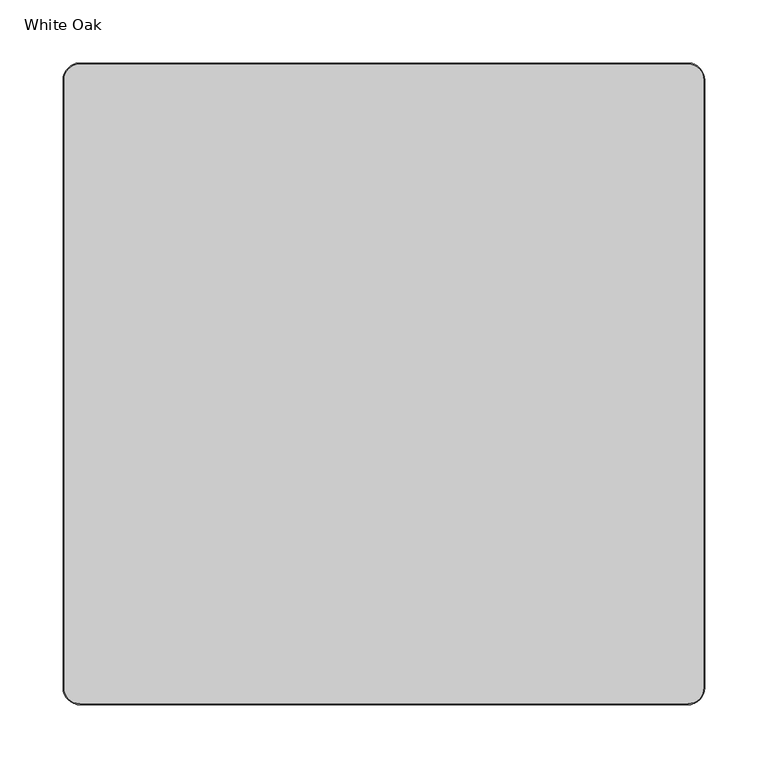
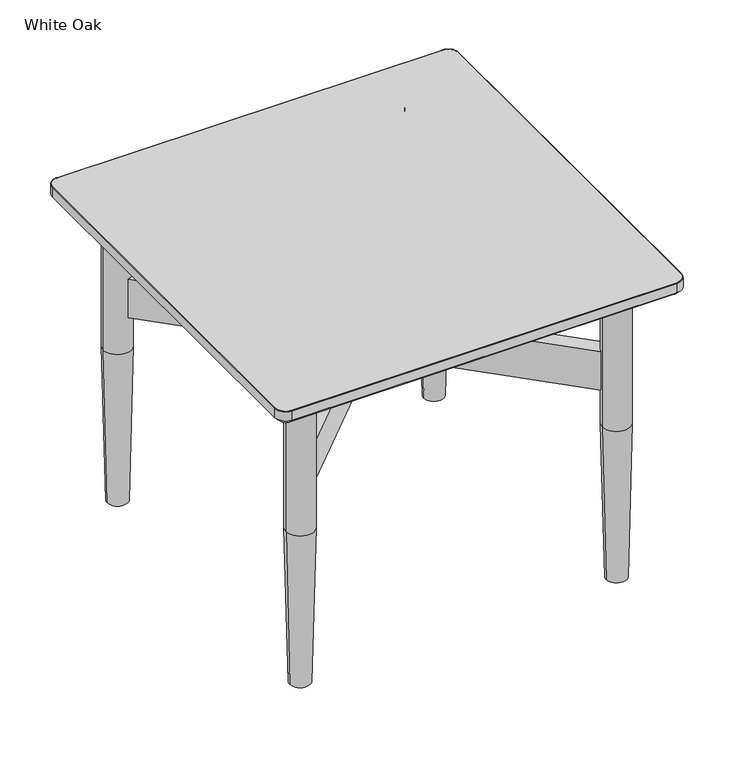
"""IFC4 building model written with IfcOpenShell, lengths in millimetres: furniture geometry, White Oak."""

from ifc_helpers import new_model, si_unit, point, frame, origin, place, context, project, spatial, polyline, circle_curve, ellipse_curve, trimmed, source, transform, mapped, element, save
from ifc_brep_helpers import plane_surface, cylinder_surface, revolved_surface, advanced_brep


def white_oak_4e3813bd(model_context):
    return source(origin(), model_context, "Body", "AdvancedBrep", [
        advanced_brep(
        [(-253.2012898, -240.6396, 406.4), (-240.6396, -253.2012898, 406.4), (240.6396, -253.2012898, 406.4), (253.2012898, -240.6396, 406.4), (253.2012898, 240.6396, 406.4), (240.6396, 253.2012898, 406.4), (-240.6407854, 253.2012898, 406.4), (-253.2012898, 240.6407854, 406.4), (172.1507502, 194.5163201, 387.35), (172.1507502, 200.8305619, 387.35), (-194.4521428, 172.2132881, 387.35), (-200.7663846, 172.2132881, 387.35), (-172.1491108, -194.4732961, 387.35), (-172.1491108, -200.7875379, 387.35), (194.4521428, -172.1702641, 387.35), (200.7663846, -172.1702641, 387.35), (-240.6396, -247.65, 387.35), (-247.65, -240.6396, 387.35), (-247.65, 240.6407854, 387.35), (-240.6407854, 247.65, 387.35), (240.6396, 247.65, 387.35), (247.65, 240.6396, 387.35), (247.65, -240.6396, 387.35), (240.6396, -247.65, 387.35), (192.1473987, 214.281061, 387.35), (169.1735874, 206.7232295, 387.35), (169.1735891, 188.6236519, 387.35), (192.1474019, 181.0658248, 387.35), (-181.0016475, 192.2099398, 387.35), (-214.2168838, 192.2099366, 387.35), (-206.6590523, 169.2361253, 387.35), (-188.5594746, 169.236127, 387.35), (-192.1457625, -181.0228008, 387.35), (-192.1457593, -214.238037, 387.35), (-169.171948, -206.6802056, 387.35), (-169.1719497, -188.5806279, 387.35), (181.0016475, -192.1669158, 387.35), (214.2168838, -192.1669126, 387.35), (206.6590523, -169.1931013, 387.35), (188.5594746, -169.193103, 387.35), (192.1474019, 181.0658248, 384.31216), (169.1735891, 188.6236519, 384.31216), (169.1735874, 206.7232295, 384.31216), (192.1473987, 214.281061, 384.31216), (172.1507502, 194.5163201, 384.31216), (172.1507502, 200.8305619, 384.31216), (-181.0016475, 192.2099398, 384.31216), (-188.5594746, 169.236127, 384.31216), (-206.6590523, 169.2361253, 384.31216), (-214.2168838, 192.2099366, 384.31216), (-194.4521428, 172.2132881, 384.31216), (-200.7663846, 172.2132881, 384.31216), (-192.1457625, -181.0228008, 384.31216), (-169.1719497, -188.5806279, 384.31216), (-169.171948, -206.6802056, 384.31216), (-192.1457593, -214.238037, 384.31216), (-172.1491108, -194.4732961, 384.31216), (-172.1491108, -200.7875379, 384.31216), (181.0016475, -192.1669158, 384.31216), (188.5594746, -169.193103, 384.31216), (206.6590523, -169.1931013, 384.31216), (214.2168838, -192.1669126, 384.31216), (194.4521428, -172.1702641, 384.31216), (200.7663846, -172.1702641, 384.31216), (-240.6396, -254.0, 393.7), (-254.0, -240.6396, 393.7), (-240.6396, -254.0, 405.6012898), (-254.0, -240.6396, 405.6012898), (240.6396, -254.0, 393.7), (240.6396, -254.0, 405.6012898), (254.0, -240.6396, 393.7), (254.0, -240.6396, 405.6012898), (254.0, 240.6396, 393.7), (254.0, 240.6396, 405.6012898), (240.6396, 254.0, 393.7), (240.6396, 254.0, 405.6012898), (-240.6407854, 254.0, 393.7), (-240.6407854, 254.0, 405.6012898), (-254.0, 240.6407854, 393.7), (-254.0, 240.6407854, 405.6012898)],
        [
            (0, 1, circle_curve(frame((-240.6396, -240.6396, 406.4), z_axis=(0.0, 0.0, 1.0), x_axis=(-1.0, 0.0, 0.0)), 12.5616898)),
            (1, 2),
            (2, 3, circle_curve(frame((240.6396, -240.6396, 406.4), z_axis=(0.0, 0.0, 1.0), x_axis=(0.0, -1.0, 0.0)), 12.5616898)),
            (3, 4),
            (4, 5, circle_curve(frame((240.6396, 240.6396, 406.4), z_axis=(0.0, 0.0, 1.0), x_axis=(1.0, 0.0, 0.0)), 12.5616898)),
            (5, 6),
            (6, 7, circle_curve(frame((-240.6407854, 240.6407854, 406.4), z_axis=(0.0, 0.0, 1.0), x_axis=(0.0, 1.0, 0.0)), 12.5605044)),
            (7, 0),
            (8, 9, circle_curve(frame((172.1507502, 197.673441, 387.35), z_axis=(0.0, 0.0, -1.0), x_axis=(0.0, 1.0, 0.0)), 3.1571209)),
            (9, 8, circle_curve(frame((172.1507502, 197.673441, 387.35), z_axis=(0.0, 0.0, -1.0), x_axis=(0.0, 1.0, 0.0)), 3.1571209)),
            (10, 11, circle_curve(frame((-197.6092637, 172.2132881, 387.35), z_axis=(0.0, 0.0, -1.0), x_axis=(-1.0, 0.0, 0.0)), 3.1571209)),
            (11, 10, circle_curve(frame((-197.6092637, 172.2132881, 387.35), z_axis=(0.0, 0.0, -1.0), x_axis=(-1.0, 0.0, 0.0)), 3.1571209)),
            (12, 13, circle_curve(frame((-172.1491108, -197.630417, 387.35), z_axis=(0.0, 0.0, -1.0), x_axis=(0.0, -1.0, 0.0)), 3.1571209)),
            (13, 12, circle_curve(frame((-172.1491108, -197.630417, 387.35), z_axis=(0.0, 0.0, -1.0), x_axis=(0.0, -1.0, 0.0)), 3.1571209)),
            (14, 15, circle_curve(frame((197.6092637, -172.1702641, 387.35), z_axis=(0.0, 0.0, -1.0), x_axis=(1.0, 0.0, 0.0)), 3.1571209)),
            (15, 14, circle_curve(frame((197.6092637, -172.1702641, 387.35), z_axis=(0.0, 0.0, -1.0), x_axis=(1.0, 0.0, 0.0)), 3.1571209)),
            (16, 17, circle_curve(frame((-240.6396, -240.6396, 387.35), z_axis=(0.0, 0.0, -1.0), x_axis=(-1.0, 0.0, 0.0)), 7.0104)),
            (17, 18),
            (18, 19, circle_curve(frame((-240.6407854, 240.6407854, 387.35), z_axis=(0.0, 0.0, -1.0), x_axis=(0.0, 1.0, 0.0)), 7.0092146)),
            (19, 20),
            (20, 21, circle_curve(frame((240.6396, 240.6396, 387.35), z_axis=(0.0, 0.0, -1.0), x_axis=(1.0, 0.0, 0.0)), 7.0104)),
            (21, 22),
            (22, 23, circle_curve(frame((240.6396, -240.6396, 387.35), z_axis=(0.0, 0.0, -1.0), x_axis=(0.0, -1.0, 0.0)), 7.0104)),
            (23, 16),
            (24, 25),
            (25, 26, circle_curve(frame((172.1507502, 197.673441, 387.35), z_axis=(0.0, 0.0, 1.0), x_axis=(0.0, 1.0, 0.0)), 9.5269182)),
            (26, 27),
            (27, 24, circle_curve(frame((197.6109055, 197.6734434, 387.35), z_axis=(0.0, 0.0, 1.0), x_axis=(1.0, 0.0, 0.0)), 17.4832168)),
            (28, 29, circle_curve(frame((-197.6092662, 197.6734434, 387.35), z_axis=(0.0, 0.0, 1.0), x_axis=(0.0, 1.0, 0.0)), 17.4832168)),
            (29, 30),
            (30, 31, circle_curve(frame((-197.6092637, 172.2132881, 387.35), z_axis=(0.0, 0.0, 1.0), x_axis=(-1.0, 0.0, 0.0)), 9.5269182)),
            (31, 28),
            (32, 33, circle_curve(frame((-197.6092662, -197.6304194, 387.35), z_axis=(0.0, 0.0, 1.0), x_axis=(-1.0, 0.0, 0.0)), 17.4832168)),
            (33, 34),
            (34, 35, circle_curve(frame((-172.1491108, -197.630417, 387.35), z_axis=(0.0, 0.0, 1.0), x_axis=(0.0, -1.0, 0.0)), 9.5269182)),
            (35, 32),
            (36, 37, circle_curve(frame((197.6092662, -197.6304194, 387.35), z_axis=(0.0, 0.0, 1.0), x_axis=(0.0, -1.0, 0.0)), 17.4832168)),
            (37, 38),
            (38, 39, circle_curve(frame((197.6092637, -172.1702641, 387.35), z_axis=(0.0, 0.0, 1.0), x_axis=(1.0, 0.0, 0.0)), 9.5269182)),
            (39, 36),
            (40, 41),
            (41, 42, circle_curve(frame((172.1507502, 197.673441, 384.31216), z_axis=(0.0, 0.0, -1.0), x_axis=(0.0, 1.0, 0.0)), 9.5269182)),
            (42, 43),
            (43, 40, circle_curve(frame((197.6109055, 197.6734434, 384.31216), z_axis=(0.0, 0.0, -1.0), x_axis=(1.0, 0.0, 0.0)), 17.4832168)),
            (44, 45, circle_curve(frame((172.1507502, 197.673441, 384.31216), z_axis=(0.0, 0.0, 1.0), x_axis=(0.0, 1.0, 0.0)), 3.1571209)),
            (45, 44, circle_curve(frame((172.1507502, 197.673441, 384.31216), z_axis=(0.0, 0.0, 1.0), x_axis=(0.0, 1.0, 0.0)), 3.1571209)),
            (46, 47),
            (47, 48, circle_curve(frame((-197.6092637, 172.2132881, 384.31216), z_axis=(0.0, 0.0, -1.0), x_axis=(-1.0, 0.0, 0.0)), 9.5269182)),
            (48, 49),
            (49, 46, circle_curve(frame((-197.6092662, 197.6734434, 384.31216), z_axis=(0.0, 0.0, -1.0), x_axis=(0.0, 1.0, 0.0)), 17.4832168)),
            (50, 51, circle_curve(frame((-197.6092637, 172.2132881, 384.31216), z_axis=(0.0, 0.0, 1.0), x_axis=(-1.0, 0.0, 0.0)), 3.1571209)),
            (51, 50, circle_curve(frame((-197.6092637, 172.2132881, 384.31216), z_axis=(0.0, 0.0, 1.0), x_axis=(-1.0, 0.0, 0.0)), 3.1571209)),
            (52, 53),
            (53, 54, circle_curve(frame((-172.1491108, -197.630417, 384.31216), z_axis=(0.0, 0.0, -1.0), x_axis=(0.0, -1.0, 0.0)), 9.5269182)),
            (54, 55),
            (55, 52, circle_curve(frame((-197.6092662, -197.6304194, 384.31216), z_axis=(0.0, 0.0, -1.0), x_axis=(-1.0, 0.0, 0.0)), 17.4832168)),
            (56, 57, circle_curve(frame((-172.1491108, -197.630417, 384.31216), z_axis=(0.0, 0.0, 1.0), x_axis=(0.0, -1.0, 0.0)), 3.1571209)),
            (57, 56, circle_curve(frame((-172.1491108, -197.630417, 384.31216), z_axis=(0.0, 0.0, 1.0), x_axis=(0.0, -1.0, 0.0)), 3.1571209)),
            (58, 59),
            (59, 60, circle_curve(frame((197.6092637, -172.1702641, 384.31216), z_axis=(0.0, 0.0, -1.0), x_axis=(1.0, 0.0, 0.0)), 9.5269182)),
            (60, 61),
            (61, 58, circle_curve(frame((197.6092662, -197.6304194, 384.31216), z_axis=(0.0, 0.0, -1.0), x_axis=(0.0, -1.0, 0.0)), 17.4832168)),
            (62, 63, circle_curve(frame((197.6092637, -172.1702641, 384.31216), z_axis=(0.0, 0.0, 1.0), x_axis=(1.0, 0.0, 0.0)), 3.1571209)),
            (63, 62, circle_curve(frame((197.6092637, -172.1702641, 384.31216), z_axis=(0.0, 0.0, 1.0), x_axis=(1.0, 0.0, 0.0)), 3.1571209)),
            (42, 25),
            (24, 43),
            (41, 26),
            (40, 27),
            (45, 9),
            (8, 44),
            (49, 29),
            (28, 46),
            (48, 30),
            (47, 31),
            (51, 11),
            (10, 50),
            (55, 33),
            (32, 52),
            (54, 34),
            (53, 35),
            (57, 13),
            (12, 56),
            (61, 37),
            (36, 58),
            (60, 38),
            (59, 39),
            (63, 15),
            (14, 62),
            (64, 65, circle_curve(frame((-240.6396, -240.6396, 393.7), z_axis=(0.0, 0.0, -1.0), x_axis=(-1.0, 0.0, 0.0)), 13.3604)),
            (65, 17),
            (16, 64),
            (64, 66),
            (66, 67, circle_curve(frame((-240.6396, -240.6396, 405.6012898), z_axis=(0.0, 0.0, -1.0), x_axis=(-1.0, 0.0, 0.0)), 13.3604)),
            (67, 65),
            (66, 1, circle_curve(frame((-240.6396, -253.2012898, 405.6012898), z_axis=(-1.0, 0.0, 0.0), x_axis=(0.0, 1.0, 0.0)), 0.7987102)),
            (0, 67, circle_curve(frame((-253.2012898, -240.6396, 405.6012898), z_axis=(0.0, -1.0, 0.0), x_axis=(1.0, 0.0, 0.0)), 0.7987102)),
            (23, 68),
            (68, 64),
            (68, 69),
            (69, 66),
            (69, 2, circle_curve(frame((240.6396, -253.2012898, 405.6012898), z_axis=(-1.0, 0.0, 0.0), x_axis=(0.0, 1.0, 0.0)), 0.7987102)),
            (22, 70),
            (70, 68, circle_curve(frame((240.6396, -240.6396, 393.7), z_axis=(0.0, 0.0, -1.0), x_axis=(0.0, -1.0, 0.0)), 13.3604)),
            (70, 71),
            (71, 69, circle_curve(frame((240.6396, -240.6396, 405.6012898), z_axis=(0.0, 0.0, -1.0), x_axis=(0.0, -1.0, 0.0)), 13.3604)),
            (71, 3, circle_curve(frame((253.2012898, -240.6396, 405.6012898), z_axis=(0.0, -1.0, 0.0), x_axis=(-1.0, 0.0, 0.0)), 0.7987102)),
            (21, 72),
            (72, 70),
            (72, 73),
            (73, 71),
            (73, 4, circle_curve(frame((253.2012898, 240.6396, 405.6012898), z_axis=(0.0, -1.0, 0.0), x_axis=(-1.0, 0.0, 0.0)), 0.7987102)),
            (20, 74),
            (74, 72, circle_curve(frame((240.6396, 240.6396, 393.7), z_axis=(0.0, 0.0, -1.0), x_axis=(1.0, 0.0, 0.0)), 13.3604)),
            (74, 75),
            (75, 73, circle_curve(frame((240.6396, 240.6396, 405.6012898), z_axis=(0.0, 0.0, -1.0), x_axis=(1.0, 0.0, 0.0)), 13.3604)),
            (75, 5, circle_curve(frame((240.6396, 253.2012898, 405.6012898), z_axis=(1.0, 0.0, 0.0), x_axis=(0.0, -1.0, 0.0)), 0.7987102)),
            (19, 76),
            (76, 74),
            (76, 77),
            (77, 75),
            (77, 6, circle_curve(frame((-240.6407854, 253.2012898, 405.6012898), z_axis=(1.0, 0.0, 0.0), x_axis=(0.0, -1.0, 0.0)), 0.7987102)),
            (18, 78),
            (78, 76, circle_curve(frame((-240.6407854, 240.6407854, 393.7), z_axis=(0.0, 0.0, -1.0), x_axis=(0.0, 1.0, 0.0)), 13.3592146)),
            (78, 79),
            (79, 77, circle_curve(frame((-240.6407854, 240.6407854, 405.6012898), z_axis=(0.0, 0.0, -1.0), x_axis=(0.0, 1.0, 0.0)), 13.3592146)),
            (79, 7, circle_curve(frame((-253.2012898, 240.6407854, 405.6012898), z_axis=(0.0, 1.0, 0.0), x_axis=(1.0, 0.0, 0.0)), 0.7987102)),
            (65, 78),
            (67, 79),
        ],
        [
            plane_surface(frame((-240.6407854, 241.3, 406.4), z_axis=(0.0, 0.0, 1.0), x_axis=(-1.0, 0.0, 0.0))),
            plane_surface(frame((-240.6407854, 241.3, 387.35), z_axis=(0.0, 0.0, -1.0), x_axis=(1.0, 0.0, 0.0))),
            plane_surface(frame((215.0941223, 197.6734434, 384.31216), z_axis=(0.0, 0.0, -1.0), x_axis=(0.0, -1.0, 0.0))),
            plane_surface(frame((192.1473987, 214.281061, 387.35), z_axis=(-0.3125000908823623, 0.9499177297000596, 0.0), x_axis=(0.0, 0.0, -1.0))),
            cylinder_surface(frame((172.1507502, 197.673441, 384.31216), z_axis=(0.0, 0.0, 1.0), x_axis=(0.0, 1.0, 0.0)), 9.5269182),
            plane_surface(frame((169.1735891, 188.6236519, 387.35), z_axis=(-0.31249990911763487, -0.9499177894962648, 0.0), x_axis=(0.0, 0.0, -1.0))),
            revolved_surface(polyline([(172.1507502, 200.8305619, 384.31216), (172.1507502, 200.8305619, 387.35)]), (172.1507502, 197.673441, 406.4), (0.0, 0.0, -1.0)),
            cylinder_surface(frame((197.6109055, 197.6734434, 384.31216), z_axis=(0.0, 0.0, 1.0), x_axis=(1.0, 0.0, 0.0)), 17.4832168),
            cylinder_surface(frame((-197.6092662, 197.6734434, 406.4), z_axis=(0.0, 0.0, 1.0), x_axis=(0.0, 1.0, 0.0)), 17.4832168),
            plane_surface(frame((-214.2168838, 192.2099366, 387.35), z_axis=(-0.94991772970006, -0.31250009088236064, 0.0), x_axis=(0.0, 0.0, -1.0))),
            cylinder_surface(frame((-197.6092637, 172.2132881, 406.4), z_axis=(0.0, 0.0, 1.0), x_axis=(-1.0, 0.0, 0.0)), 9.5269182),
            plane_surface(frame((-188.5594746, 169.236127, 387.35), z_axis=(0.9499177894962636, -0.3124999091176387, 0.0), x_axis=(0.0, 0.0, -1.0))),
            revolved_surface(polyline([(-200.7663846, 172.2132881, 384.31216), (-200.7663846, 172.2132881, 387.35)]), (-197.6092637, 172.2132881, 406.4), (0.0, 0.0, -1.0)),
            cylinder_surface(frame((-197.6092662, -197.6304194, 406.4), z_axis=(0.0, 0.0, 1.0), x_axis=(-1.0, 0.0, 0.0)), 17.4832168),
            plane_surface(frame((-192.1457593, -214.238037, 387.35), z_axis=(0.31250009088236524, -0.9499177297000586, 0.0), x_axis=(0.0, 0.0, -1.0))),
            cylinder_surface(frame((-172.1491108, -197.630417, 406.4), z_axis=(0.0, 0.0, 1.0), x_axis=(0.0, -1.0, 0.0)), 9.5269182),
            plane_surface(frame((-169.1719497, -188.5806279, 387.35), z_axis=(0.31249990911763026, 0.9499177894962663, 0.0), x_axis=(0.0, 0.0, -1.0))),
            revolved_surface(polyline([(-172.1491108, -200.7875379, 384.31216), (-172.1491108, -200.7875379, 387.35)]), (-172.1491108, -197.630417, 406.4), (0.0, 0.0, -1.0)),
            cylinder_surface(frame((197.6092662, -197.6304194, 406.4), z_axis=(0.0, 0.0, 1.0), x_axis=(0.0, -1.0, 0.0)), 17.4832168),
            plane_surface(frame((214.2168838, -192.1669126, 387.35), z_axis=(0.949917729700059, 0.3125000908823635, 0.0), x_axis=(0.0, 0.0, -1.0))),
            cylinder_surface(frame((197.6092637, -172.1702641, 406.4), z_axis=(0.0, 0.0, 1.0), x_axis=(1.0, 0.0, 0.0)), 9.5269182),
            plane_surface(frame((188.5594746, -169.193103, 387.35), z_axis=(-0.9499177894962654, 0.3124999091176332, 0.0), x_axis=(0.0, 0.0, -1.0))),
            revolved_surface(polyline([(200.7663846, -172.1702641, 384.31216), (200.7663846, -172.1702641, 387.35)]), (197.6092637, -172.1702641, 406.4), (0.0, 0.0, -1.0)),
            revolved_surface(polyline([(-247.65, -240.6396, 387.35), (-254.0, -240.6396, 393.7)]), (-240.6396, -240.6396, 406.4), (0.0, 0.0, 1.0)),
            cylinder_surface(frame((-240.6396, -240.6396, 406.4), z_axis=(0.0, 0.0, 1.0), x_axis=(-1.0, 0.0, 0.0)), 13.3604),
            revolved_surface(trimmed(ellipse_curve(frame((-253.2012898, -240.6396, 405.6012898), z_axis=(0.0, 1.0, 0.0), x_axis=(1.0, 0.0, 0.0)), 0.7987102, 0.7987102), [point((-254.0, -240.6396, 405.6012898))], [point((-253.2012898, -240.6396, 406.4))], True, "CARTESIAN"), (-240.6396, -240.6396, 406.4), (0.0, 0.0, 1.0)),
            plane_surface(frame((-240.6396, -247.65, 387.35), z_axis=(0.0, -0.7071067811865495, -0.7071067811865457), x_axis=(1.0, 0.0, 0.0))),
            plane_surface(frame((-240.6396, -254.0, 393.7), z_axis=(0.0, -1.0, 0.0), x_axis=(1.0, 0.0, 0.0))),
            cylinder_surface(frame((-240.6396, -253.2012898, 405.6012898), z_axis=(-1.0, 0.0, 0.0), x_axis=(0.0, 1.0, 0.0)), 0.7987102),
            revolved_surface(polyline([(240.6396, -247.65, 387.35), (240.6396, -254.0, 393.7)]), (240.6396, -240.6396, 406.4), (0.0, 0.0, 1.0)),
            cylinder_surface(frame((240.6396, -240.6396, 406.4), z_axis=(0.0, 0.0, 1.0), x_axis=(0.0, -1.0, 0.0)), 13.3604),
            revolved_surface(trimmed(ellipse_curve(frame((240.6396, -253.2012898, 405.6012898), z_axis=(-1.0, 0.0, 0.0), x_axis=(0.0, 1.0, 0.0)), 0.7987102, 0.7987102), [point((240.6396, -254.0, 405.6012898))], [point((240.6396, -253.2012898, 406.4))], True, "CARTESIAN"), (240.6396, -240.6396, 406.4), (0.0, 0.0, 1.0)),
            plane_surface(frame((247.65, -240.6396, 387.35), z_axis=(0.7071067811865471, 0.0, -0.707106781186548), x_axis=(0.0, 1.0, 0.0))),
            plane_surface(frame((254.0, -240.6396, 393.7), z_axis=(1.0, 0.0, 0.0), x_axis=(0.0, 1.0, 0.0))),
            cylinder_surface(frame((253.2012898, -240.6396, 405.6012898), z_axis=(0.0, -1.0, 0.0), x_axis=(-1.0, 0.0, 0.0)), 0.7987102),
            revolved_surface(polyline([(247.65, 240.6396, 387.35), (254.0, 240.6396, 393.7)]), (240.6396, 240.6396, 406.4), (0.0, 0.0, 1.0)),
            cylinder_surface(frame((240.6396, 240.6396, 406.4), z_axis=(0.0, 0.0, 1.0), x_axis=(1.0, 0.0, 0.0)), 13.3604),
            revolved_surface(trimmed(ellipse_curve(frame((253.2012898, 240.6396, 405.6012898), z_axis=(0.0, -1.0, 0.0), x_axis=(-1.0, 0.0, 0.0)), 0.7987102, 0.7987102), [point((254.0, 240.6396, 405.6012898))], [point((253.2012898, 240.6396, 406.4))], True, "CARTESIAN"), (240.6396, 240.6396, 406.4), (0.0, 0.0, 1.0)),
            plane_surface(frame((240.6396, 247.65, 387.35), z_axis=(0.0, 0.7071067811865495, -0.7071067811865457), x_axis=(-1.0, 0.0, 0.0))),
            plane_surface(frame((240.6396, 254.0, 393.7), z_axis=(0.0, 1.0, 0.0), x_axis=(-1.0, 0.0, 0.0))),
            cylinder_surface(frame((240.6396, 253.2012898, 405.6012898), z_axis=(1.0, 0.0, 0.0), x_axis=(0.0, -1.0, 0.0)), 0.7987102),
            revolved_surface(polyline([(-240.6407854, 247.65, 387.35), (-240.6407854, 254.0, 393.7)]), (-240.6407854, 240.6407854, 406.4), (0.0, 0.0, 1.0)),
            cylinder_surface(frame((-240.6407854, 240.6407854, 406.4), z_axis=(0.0, 0.0, 1.0), x_axis=(0.0, 1.0, 0.0)), 13.3592146),
            revolved_surface(trimmed(ellipse_curve(frame((-240.6407854, 253.2012898, 405.6012898), z_axis=(1.0, 0.0, 0.0), x_axis=(0.0, -1.0, 0.0)), 0.7987102, 0.7987102), [point((-240.6407854, 254.0, 405.6012898))], [point((-240.6407854, 253.2012898, 406.4))], True, "CARTESIAN"), (-240.6407854, 240.6407854, 406.4), (0.0, 0.0, 1.0)),
            plane_surface(frame((-247.65, 240.6407854, 387.35), z_axis=(-0.7071067811865518, 0.0, -0.7071067811865434), x_axis=(0.0, -1.0, 0.0))),
            plane_surface(frame((-254.0, 240.6407854, 393.7), z_axis=(-1.0, 0.0, 0.0), x_axis=(0.0, -1.0, 0.0))),
            cylinder_surface(frame((-253.2012898, 240.6407854, 405.6012898), z_axis=(0.0, 1.0, 0.0), x_axis=(1.0, 0.0, 0.0)), 0.7987102),
        ],
        [
            (0, [[1, 2, 3, 4, 5, 6, 7, 8]]),
            (1, [[9, 10]]),
            (1, [[11, 12]]),
            (1, [[13, 14]]),
            (1, [[15, 16]]),
            (1, [[17, 18, 19, 20, 21, 22, 23, 24], [25, 26, 27, 28], [29, 30, 31, 32], [33, 34, 35, 36], [37, 38, 39, 40]]),
            (2, [[41, 42, 43, 44], [45, 46]]),
            (2, [[47, 48, 49, 50], [51, 52]]),
            (2, [[53, 54, 55, 56], [57, 58]]),
            (2, [[59, 60, 61, 62], [63, 64]]),
            (3, [[-43, 65, -25, 66]]),
            (4, [[-42, 67, -26, -65]]),
            (5, [[-41, 68, -27, -67]]),
            (6, [[-46, 69, -9, 70]]),
            (6, [[-45, -70, -10, -69]]),
            (7, [[-44, -66, -28, -68]]),
            (8, [[-50, 71, -29, 72]]),
            (9, [[-49, 73, -30, -71]]),
            (10, [[-48, 74, -31, -73]]),
            (11, [[-47, -72, -32, -74]]),
            (12, [[-52, 75, -11, 76]]),
            (12, [[-51, -76, -12, -75]]),
            (13, [[-56, 77, -33, 78]]),
            (14, [[-55, 79, -34, -77]]),
            (15, [[-54, 80, -35, -79]]),
            (16, [[-53, -78, -36, -80]]),
            (17, [[-58, 81, -13, 82]]),
            (17, [[-57, -82, -14, -81]]),
            (18, [[-62, 83, -37, 84]]),
            (19, [[-61, 85, -38, -83]]),
            (20, [[-60, 86, -39, -85]]),
            (21, [[-59, -84, -40, -86]]),
            (22, [[-64, 87, -15, 88]]),
            (22, [[-63, -88, -16, -87]]),
            (23, [[89, 90, -17, 91]]),
            (24, [[-89, 92, 93, 94]]),
            (25, [[-93, 95, -1, 96]]),
            (26, [[-91, -24, 97, 98]]),
            (27, [[-92, -98, 99, 100]]),
            (28, [[-95, -100, 101, -2]]),
            (29, [[-97, -23, 102, 103]]),
            (30, [[-99, -103, 104, 105]]),
            (31, [[-101, -105, 106, -3]]),
            (32, [[-102, -22, 107, 108]]),
            (33, [[-104, -108, 109, 110]]),
            (34, [[-106, -110, 111, -4]]),
            (35, [[-107, -21, 112, 113]]),
            (36, [[-109, -113, 114, 115]]),
            (37, [[-111, -115, 116, -5]]),
            (38, [[-112, -20, 117, 118]]),
            (39, [[-114, -118, 119, 120]]),
            (40, [[-116, -120, 121, -6]]),
            (41, [[-117, -19, 122, 123]]),
            (42, [[-119, -123, 124, 125]]),
            (43, [[-121, -125, 126, -7]]),
            (44, [[-90, 127, -122, -18]]),
            (45, [[-94, 128, -124, -127]]),
            (46, [[-96, -8, -126, -128]]),
        ],
    ),
        advanced_brep(
        [(13.4701444, -0.0002764, 300.0375), (193.9893271, 180.5188717, 300.0375), (180.5051614, 193.9754744, 300.0375), (-0.0002385, 13.470109, 300.0375), (-180.5052332, 193.9751383, 300.0375), (-193.9896638, 180.5188005, 300.0375), (-13.470624, -0.0002739, 300.0375), (-193.9892687, -180.5188841, 300.0375), (-180.5051489, -193.9755326, 300.0375), (-0.0002411, -13.4706593, 300.0375), (180.5050519, -193.9759868, 300.0375), (193.9888138, -180.5189803, 300.0375), (13.4701444, -0.0002764, 249.2375), (193.9888138, -180.5189803, 249.2375), (180.5050519, -193.9759868, 249.2375), (-0.0002411, -13.4706593, 249.2375), (-180.5051489, -193.9755326, 249.2375), (-193.9892687, -180.5188841, 249.2375), (-13.470624, -0.0002739, 249.2375), (-193.9896638, 180.5188005, 249.2375), (-180.5052332, 193.9751383, 249.2375), (-0.0002385, 13.470109, 249.2375), (180.5051614, 193.9754744, 249.2375), (193.9893271, 180.5188717, 249.2375), (-215.0995213, 197.6304194, 384.31216), (-180.119011, 197.6304194, 384.31216), (215.0995213, 197.6304194, 384.31216), (180.119011, 197.6304194, 384.31216), (-215.0995213, -197.6304194, 384.31216), (-180.119011, -197.6304194, 384.31216), (215.0995213, -197.6304194, 384.31216), (180.119011, -197.6304194, 384.31216), (-215.0995213, 197.6304194, 203.5057037), (-180.119011, 197.6304194, 203.5057037), (215.0995213, 197.6304194, 203.5057037), (180.119011, 197.6304194, 203.5057037), (-215.0995213, -197.6304194, 203.5057037), (-180.119011, -197.6304194, 203.5057037), (215.0995213, -197.6304194, 203.5057037), (180.119011, -197.6304194, 203.5057037), (-210.3092662, -197.6304194, 0.0), (-184.9092662, -197.6304194, 0.0), (-210.3092662, 197.6304194, 0.0), (-184.9092662, 197.6304194, 0.0), (210.3092662, -197.6304194, 0.0), (184.9092662, -197.6304194, 0.0), (210.3092662, 197.6304194, 0.0), (184.9092662, 197.6304194, 0.0)],
        [
            (0, 1),
            (1, 2, circle_curve(frame((197.6092662, 197.6304194, 300.0375), z_axis=(0.0, 0.0, -1.0), x_axis=(-1.0, 0.0, 0.0)), 17.4902551)),
            (2, 3),
            (3, 4),
            (4, 5, circle_curve(frame((-197.6092662, 197.6304194, 300.0375), z_axis=(0.0, 0.0, -1.0), x_axis=(1.0, 0.0, 0.0)), 17.4902551)),
            (5, 6),
            (6, 7),
            (7, 8, circle_curve(frame((-197.6092662, -197.6304194, 300.0375), z_axis=(0.0, 0.0, -1.0), x_axis=(1.0, 0.0, 0.0)), 17.4902551)),
            (8, 9),
            (9, 10),
            (10, 11, circle_curve(frame((197.6092662, -197.6304194, 300.0375), z_axis=(0.0, 0.0, -1.0), x_axis=(-1.0, 0.0, 0.0)), 17.4902551)),
            (11, 0),
            (12, 13),
            (13, 14, circle_curve(frame((197.6092662, -197.6304194, 249.2375), z_axis=(0.0, 0.0, 1.0), x_axis=(-1.0, 0.0, 0.0)), 17.4902551)),
            (14, 15),
            (15, 16),
            (16, 17, circle_curve(frame((-197.6092662, -197.6304194, 249.2375), z_axis=(0.0, 0.0, 1.0), x_axis=(1.0, 0.0, 0.0)), 17.4902551)),
            (17, 18),
            (18, 19),
            (19, 20, circle_curve(frame((-197.6092662, 197.6304194, 249.2375), z_axis=(0.0, 0.0, 1.0), x_axis=(1.0, 0.0, 0.0)), 17.4902551)),
            (20, 21),
            (21, 22),
            (22, 23, circle_curve(frame((197.6092662, 197.6304194, 249.2375), z_axis=(0.0, 0.0, 1.0), x_axis=(-1.0, 0.0, 0.0)), 17.4902551)),
            (23, 12),
            (0, 12),
            (23, 1),
            (21, 3),
            (2, 22),
            (20, 4),
            (18, 6),
            (5, 19),
            (17, 7),
            (15, 9),
            (8, 16),
            (14, 10),
            (11, 13),
            (24, 25, circle_curve(frame((-197.6092662, 197.6304194, 384.31216), z_axis=(0.0, 0.0, 1.0), x_axis=(1.0, 0.0, 0.0)), 17.4902551)),
            (25, 24, circle_curve(frame((-197.6092662, 197.6304194, 384.31216), z_axis=(0.0, 0.0, 1.0), x_axis=(1.0, 0.0, 0.0)), 17.4902551)),
            (26, 27, circle_curve(frame((197.6092662, 197.6304194, 384.31216), z_axis=(0.0, 0.0, 1.0), x_axis=(-1.0, 0.0, 0.0)), 17.4902551)),
            (27, 26, circle_curve(frame((197.6092662, 197.6304194, 384.31216), z_axis=(0.0, 0.0, 1.0), x_axis=(-1.0, 0.0, 0.0)), 17.4902551)),
            (28, 29, circle_curve(frame((-197.6092662, -197.6304194, 384.31216), z_axis=(0.0, 0.0, 1.0), x_axis=(1.0, 0.0, 0.0)), 17.4902551)),
            (29, 28, circle_curve(frame((-197.6092662, -197.6304194, 384.31216), z_axis=(0.0, 0.0, 1.0), x_axis=(1.0, 0.0, 0.0)), 17.4902551)),
            (30, 31, circle_curve(frame((197.6092662, -197.6304194, 384.31216), z_axis=(0.0, 0.0, 1.0), x_axis=(-1.0, 0.0, 0.0)), 17.4902551)),
            (31, 30, circle_curve(frame((197.6092662, -197.6304194, 384.31216), z_axis=(0.0, 0.0, 1.0), x_axis=(-1.0, 0.0, 0.0)), 17.4902551)),
            (24, 32),
            (32, 33, circle_curve(frame((-197.6092662, 197.6304194, 203.5057037), z_axis=(0.0, 0.0, 1.0), x_axis=(1.0, 0.0, 0.0)), 17.4902551)),
            (33, 25),
            (33, 32, circle_curve(frame((-197.6092662, 197.6304194, 203.5057037), z_axis=(0.0, 0.0, 1.0), x_axis=(1.0, 0.0, 0.0)), 17.4902551)),
            (26, 34),
            (34, 35, circle_curve(frame((197.6092662, 197.6304194, 203.5057037), z_axis=(0.0, 0.0, 1.0), x_axis=(-1.0, 0.0, 0.0)), 17.4902551)),
            (35, 27),
            (35, 34, circle_curve(frame((197.6092662, 197.6304194, 203.5057037), z_axis=(0.0, 0.0, 1.0), x_axis=(-1.0, 0.0, 0.0)), 17.4902551)),
            (28, 36),
            (36, 37, circle_curve(frame((-197.6092662, -197.6304194, 203.5057037), z_axis=(0.0, 0.0, 1.0), x_axis=(1.0, 0.0, 0.0)), 17.4902551)),
            (37, 29),
            (37, 36, circle_curve(frame((-197.6092662, -197.6304194, 203.5057037), z_axis=(0.0, 0.0, 1.0), x_axis=(1.0, 0.0, 0.0)), 17.4902551)),
            (30, 38),
            (38, 39, circle_curve(frame((197.6092662, -197.6304194, 203.5057037), z_axis=(0.0, 0.0, 1.0), x_axis=(-1.0, 0.0, 0.0)), 17.4902551)),
            (39, 31),
            (39, 38, circle_curve(frame((197.6092662, -197.6304194, 203.5057037), z_axis=(0.0, 0.0, 1.0), x_axis=(-1.0, 0.0, 0.0)), 17.4902551)),
            (40, 41, circle_curve(frame((-197.6092662, -197.6304194, 0.0), z_axis=(0.0, 0.0, -1.0), x_axis=(1.0, 0.0, 0.0)), 12.7)),
            (41, 40, circle_curve(frame((-197.6092662, -197.6304194, 0.0), z_axis=(0.0, 0.0, -1.0), x_axis=(-1.0, 0.0, 0.0)), 12.7)),
            (40, 36),
            (37, 41),
            (42, 43, circle_curve(frame((-197.6092662, 197.6304194, 0.0), z_axis=(0.0, 0.0, -1.0), x_axis=(1.0, 0.0, 0.0)), 12.7)),
            (43, 42, circle_curve(frame((-197.6092662, 197.6304194, 0.0), z_axis=(0.0, 0.0, -1.0), x_axis=(-1.0, 0.0, 0.0)), 12.7)),
            (43, 33),
            (32, 42),
            (44, 45, circle_curve(frame((197.6092662, -197.6304194, 0.0), z_axis=(0.0, 0.0, -1.0), x_axis=(-1.0, 0.0, 0.0)), 12.7)),
            (45, 44, circle_curve(frame((197.6092662, -197.6304194, 0.0), z_axis=(0.0, 0.0, -1.0), x_axis=(1.0, 0.0, 0.0)), 12.7)),
            (45, 39),
            (38, 44),
            (46, 47, circle_curve(frame((197.6092662, 197.6304194, 0.0), z_axis=(0.0, 0.0, -1.0), x_axis=(-1.0, 0.0, 0.0)), 12.7)),
            (47, 46, circle_curve(frame((197.6092662, 197.6304194, 0.0), z_axis=(0.0, 0.0, -1.0), x_axis=(1.0, 0.0, 0.0)), 12.7)),
            (46, 34),
            (35, 47),
        ],
        [
            plane_surface(frame((193.9517571, 180.4813017, 300.0375), z_axis=(0.0, 0.0, 1.0000000000000002), x_axis=(0.707106848838254, 0.7071067135348347, 0.0))),
            plane_surface(frame((193.9517571, 180.4813017, 249.2375), z_axis=(0.0, 0.0, -1.0000000000000002), x_axis=(-0.707106848838254, -0.7071067135348347, 0.0))),
            plane_surface(frame((13.4701444, -0.0002764, 300.0375), z_axis=(0.7071067135348347, -0.707106848838254, 0.0), x_axis=(0.0, 0.0, -1.0))),
            plane_surface(frame((190.8698038, 204.3401148, 300.0375), z_axis=(-0.7071067135348348, 0.7071068488382539, 0.0), x_axis=(0.0, 0.0, -1.0))),
            plane_surface(frame((-0.0002385, 13.470109, 300.0375), z_axis=(0.7071068488382539, 0.7071067135348347, 0.0), x_axis=(0.0, 0.0, -1.0))),
            plane_surface(frame((-204.3403899, 190.8695286, 300.0375), z_axis=(-0.7071068488382536, -0.7071067135348349, 0.0), x_axis=(0.0, 0.0, -1.0))),
            plane_surface(frame((-13.470624, -0.0002739, 300.0375), z_axis=(-0.7071067135348349, 0.7071068488382538, 0.0), x_axis=(0.0, 0.0, -1.0))),
            plane_surface(frame((-190.8697684, -204.3401501, 300.0375), z_axis=(0.7071067135348347, -0.7071068488382539, 0.0), x_axis=(0.0, 0.0, -1.0))),
            plane_surface(frame((-0.0002411, -13.4706593, 300.0375), z_axis=(-0.7071068488382538, -0.7071067135348348, 0.0), x_axis=(0.0, 0.0, -1.0))),
            plane_surface(frame((204.339875, -190.8700435, 300.0375), z_axis=(0.7071068488382538, 0.7071067135348348, 0.0), x_axis=(0.0, 0.0, -1.0))),
            plane_surface(frame((-180.119011, 197.6304194, 384.31216), z_axis=(0.0, 0.0, 1.0), x_axis=(0.0, 1.0, 0.0))),
            cylinder_surface(frame((-197.6092662, 197.6304194, 203.5057037), z_axis=(0.0, 0.0, 1.0), x_axis=(1.0, 0.0, 0.0)), 17.4902551),
            cylinder_surface(frame((197.6092662, 197.6304194, 406.4), z_axis=(0.0, 0.0, 1.0), x_axis=(-1.0, 0.0, 0.0)), 17.4902551),
            cylinder_surface(frame((-197.6092662, -197.6304194, 406.4), z_axis=(0.0, 0.0, 1.0), x_axis=(1.0, 0.0, 0.0)), 17.4902551),
            cylinder_surface(frame((197.6092662, -197.6304194, 406.4), z_axis=(0.0, 0.0, 1.0), x_axis=(-1.0, 0.0, 0.0)), 17.4902551),
            plane_surface(frame((-197.6092662, -197.6304194, 0.0), z_axis=(0.0, 0.0, -1.0), x_axis=(0.0, -1.0, 0.0))),
            revolved_surface(polyline([(-210.30926617849488, -197.6304194, 0.0), (-215.0995213, -197.6304194, 203.50570370000003)]), (-197.6092662, -197.6304194, -539.5375334), (0.0, 0.0, 1.0)),
            revolved_surface(polyline([(-184.90926614889327, -197.6304194, 0.0), (-180.119011, -197.6304194, 203.50570370000003)]), (-197.6092662, -197.6304194, -539.5375334), (0.0, 0.0, 1.0)),
            plane_surface(frame((-197.6092662, 197.6304194, 0.0), z_axis=(0.0, 0.0, -1.0), x_axis=(0.0, -1.0, 0.0))),
            revolved_surface(polyline([(-184.90926614889327, 197.6304194, 0.0), (-180.119011, 197.6304194, 203.50570370000003)]), (-197.6092662, 197.6304194, -539.5375334), (0.0, 0.0, 1.0)),
            revolved_surface(polyline([(-210.30926617849488, 197.6304194, 0.0), (-215.0995213, 197.6304194, 203.50570370000003)]), (-197.6092662, 197.6304194, -539.5375334), (0.0, 0.0, 1.0)),
            plane_surface(frame((197.6092662, -197.6304194, 0.0), z_axis=(0.0, 0.0, -1.0), x_axis=(0.0, 1.0, 0.0))),
            revolved_surface(polyline([(184.90926614889327, -197.6304194, 0.0), (180.119011, -197.6304194, 203.50570370000003)]), (197.6092662, -197.6304194, -539.5375334), (0.0, 0.0, 1.0)),
            revolved_surface(polyline([(210.30926617849488, -197.6304194, 0.0), (215.0995213, -197.6304194, 203.50570370000003)]), (197.6092662, -197.6304194, -539.5375334), (0.0, 0.0, 1.0)),
            plane_surface(frame((197.6092662, 197.6304194, 0.0), z_axis=(0.0, 0.0, -1.0), x_axis=(0.0, 1.0, 0.0))),
            revolved_surface(polyline([(210.30926617849488, 197.6304194, 0.0), (215.0995213, 197.6304194, 203.50570370000003)]), (197.6092662, 197.6304194, -539.5375334), (0.0, 0.0, 1.0)),
            revolved_surface(polyline([(184.90926614889327, 197.6304194, 0.0), (180.119011, 197.6304194, 203.50570370000003)]), (197.6092662, 197.6304194, -539.5375334), (0.0, 0.0, 1.0)),
        ],
        [
            (0, [[1, 2, 3, 4, 5, 6, 7, 8, 9, 10, 11, 12]]),
            (1, [[13, 14, 15, 16, 17, 18, 19, 20, 21, 22, 23, 24]]),
            (2, [[25, -24, 26, -1]]),
            (3, [[27, -3, 28, -22]]),
            (4, [[-27, -21, 29, -4]]),
            (5, [[30, -6, 31, -19]]),
            (6, [[-30, -18, 32, -7]]),
            (7, [[33, -9, 34, -16]]),
            (8, [[-33, -15, 35, -10]]),
            (9, [[-25, -12, 36, -13]]),
            (10, [[37, 38]]),
            (10, [[39, 40]]),
            (10, [[41, 42]]),
            (10, [[43, 44]]),
            (11, [[-37, 45, 46, 47], [-5, -29, -20, -31]]),
            (11, [[-38, -47, 48, -45]]),
            (12, [[-39, 49, 50, 51]]),
            (12, [[-40, -51, 52, -49], [-2, -26, -23, -28]]),
            (13, [[-41, 53, 54, 55]]),
            (13, [[-42, -55, 56, -53], [-8, -32, -17, -34]]),
            (14, [[-43, 57, 58, 59], [-11, -35, -14, -36]]),
            (14, [[-44, -59, 60, -57]]),
            (15, [[61, 62]]),
            (16, [[-61, 63, -56, 64]]),
            (17, [[-62, -64, -54, -63]]),
            (18, [[65, 66]]),
            (19, [[-66, 67, -46, 68]]),
            (20, [[-65, -68, -48, -67]]),
            (21, [[69, 70]]),
            (22, [[-70, 71, -58, 72]]),
            (23, [[-69, -72, -60, -71]]),
            (24, [[73, 74]]),
            (25, [[-73, 75, -52, 76]]),
            (26, [[-74, -76, -50, -75]]),
        ],
    ),
    ])


if __name__ == "__main__":
    model = new_model("IFC4")
    model_context = context("Model", 3, world=origin())
    ifc_project = project(units=[si_unit("LENGTHUNIT", "METRE", prefix="MILLI")], contexts=[model_context])
    site = spatial("IfcSite", under=ifc_project)
    building = spatial("IfcBuilding", under=site)
    placement = place(None, origin())
    white_oak_shape = white_oak_4e3813bd(model_context)
    element("IfcFurniture", 1, ObjectType="White Oak", at=placement, inside=building, context=model_context, shape_type="MappedRepresentation", body=[
        mapped(white_oak_shape, transform((0.0, 0.0, 0.0), x_axis=(1.0, 0.0, 0.0), y_axis=(0.0, 1.0, 0.0), z_axis=(0.0, 0.0, 1.0))),
    ])
    save(model, "model.ifc")
